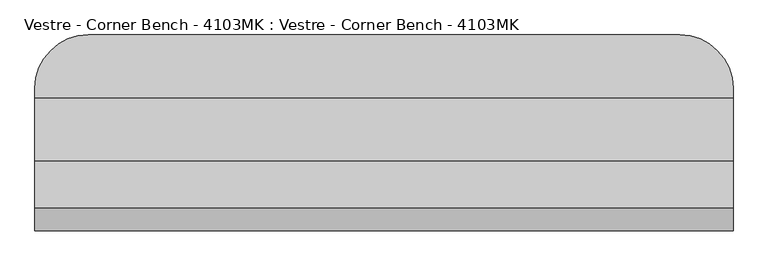
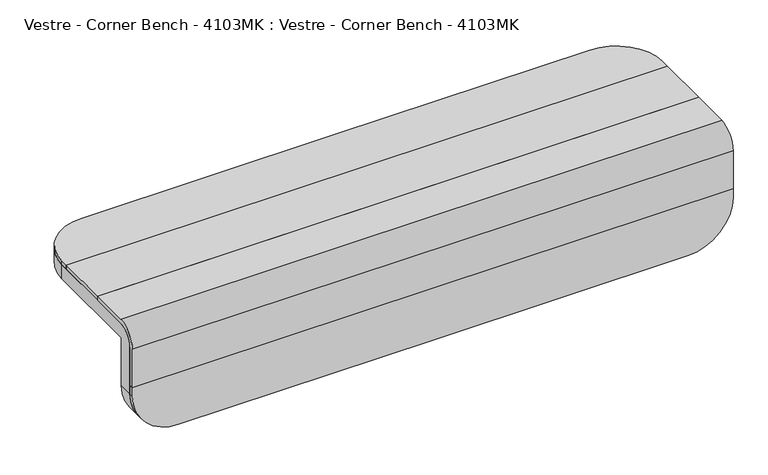
"""IFC4 building model written with IfcOpenShell, lengths in millimetres: furniture geometry, Vestre - Corner Bench - 4103MK : Vestre - Corner Bench - 4103MK."""

from ifc_helpers import new_model, si_unit, point, frame, frame_2d, origin, place, context, project, spatial, polyline, circle_curve, trimmed, segment, composite_curve, outline, extrude, source, transform, mapped, element, save
from ifc_brep_helpers import plane_surface, cylinder_surface, revolved_surface, advanced_brep


def vestre_corner_bench_4103mk_vestre_corner_bench_4103mk_26f7be3b(model_context):
    return source(origin(), model_context, "Body", "SolidModel", [
        extrude(outline(composite_curve([segment(polyline([(-104.1442892, 753.2674933), (-104.1442892, -753.2674933), (-126.5360088, -753.2674933)]), True, "CONTINUOUS"), segment(trimmed(circle_curve(frame_2d((-126.5360088, -638.2674933)), 115.0), [point((-126.5360088, -753.2674933))], [point((-241.5360088, -638.2674933))], False, "CARTESIAN"), True, "CONTINUOUS"), segment(polyline([(-241.5360088, -638.2674933), (-241.5360088, 0.0), (-241.5360088, 638.2674933)]), True, "CONTINUOUS"), segment(trimmed(circle_curve(frame_2d((-126.5360088, 638.2674933)), 115.0), [point((-241.5360088, 638.2674933))], [point((-126.5360088, 753.2674933))], False, "CARTESIAN"), True, "CONTINUOUS"), segment(polyline([(-126.5360088, 753.2674933), (-104.1442892, 753.2674933)]), True, "CONTINUOUS")], self_intersect=False)), frame((0.0, -218.13734, 0.0), z_axis=(0.0, 1.0, 0.0), x_axis=(0.0, 0.0, 1.0)), (0.0, 0.0, 1.0), 10.7171134),
        advanced_brep(
        [(753.2674933, -68.13734, 47.4305797), (-753.2674933, -68.13734, 47.4305797), (-753.2674933, -137.4202266, 47.4305797), (-753.2674933, -168.13734, 47.4305797), (753.2674933, -168.13734, 47.4305797), (753.2674933, -137.4202266, 47.4305797), (753.2674933, -218.13734, -104.1442892), (-753.2674933, -218.13734, -104.1442892), (-753.2674933, -207.4202266, -104.1442892), (753.2674933, -207.4202266, -104.1442892), (753.2674933, -218.13734, -33.453451), (753.2674933, -218.13734, -4.4183249), (753.2674933, -218.13734, -2.5694203), (-753.2674933, -218.13734, -2.5694203), (-753.2674933, -218.13734, -4.4183249), (-753.2674933, -218.13734, -33.453451), (753.2674933, -207.4202266, -3.453451), (753.2674933, -167.4202266, 36.546549), (753.2674933, -68.13734, 36.546549), (-753.2674933, -68.13734, 36.546549), (-753.2674933, -167.4202266, 36.546549), (-753.2674933, -207.4202266, -3.453451)],
        [
            (0, 1),
            (1, 2),
            (2, 3),
            (3, 4),
            (4, 5),
            (5, 0),
            (6, 7),
            (7, 8),
            (8, 9),
            (9, 6),
            (6, 10),
            (10, 11),
            (11, 12),
            (12, 13),
            (13, 14),
            (14, 15),
            (15, 7),
            (4, 12, circle_curve(frame((753.2674933, -168.13734, -2.5694203), z_axis=(1.0, 0.0, 0.0), x_axis=(0.0, -1.0, 0.0)), 50.0)),
            (9, 16),
            (16, 17, circle_curve(frame((753.2674933, -167.4202266, -3.453451), z_axis=(-1.0, 0.0, 0.0), x_axis=(0.0, -1.0, 0.0)), 40.0)),
            (17, 18),
            (18, 0),
            (18, 19),
            (19, 1),
            (19, 20),
            (20, 21, circle_curve(frame((-753.2674933, -167.4202266, -3.453451), z_axis=(1.0, 0.0, 0.0), x_axis=(0.0, -1.0, 0.0)), 40.0)),
            (21, 8),
            (13, 3, circle_curve(frame((-753.2674933, -168.13734, -2.5694203), z_axis=(-1.0, 0.0, 0.0), x_axis=(0.0, -1.0, 0.0)), 50.0)),
            (20, 17),
            (16, 21),
        ],
        [
            plane_surface(frame((-753.2674933, -218.13734, 47.4305797), z_axis=(0.0, 0.0, 1.0), x_axis=(1.0, 0.0, 0.0))),
            plane_surface(frame((-753.2674933, -218.13734, -104.1442892), z_axis=(0.0, 0.0, -1.0), x_axis=(-1.0, 0.0, 0.0))),
            plane_surface(frame((-753.2674933, -218.13734, 47.4305797), z_axis=(0.0, -1.0, 0.0), x_axis=(0.0, 0.0, -1.0))),
            plane_surface(frame((753.2674933, -218.13734, 47.4305797), z_axis=(1.0, 0.0, 0.0), x_axis=(0.0, 0.0, -1.0))),
            plane_surface(frame((753.2674933, -68.13734, 47.4305797), z_axis=(0.0, 1.0, 0.0), x_axis=(0.0, 0.0, -1.0))),
            plane_surface(frame((-753.2674933, -68.13734, 47.4305797), z_axis=(-1.0, 0.0, 0.0), x_axis=(0.0, 0.0, -1.0))),
            cylinder_surface(frame((-912.0536265, -168.13734, -2.5694203), z_axis=(-1.0, 0.0, 0.0), x_axis=(0.0, -1.0, 0.0)), 50.0),
            revolved_surface(polyline([(753.2674933000001, -207.4202266, -3.453451), (-753.2674933, -207.4202266, -3.453451)]), (-830.5740598, -167.4202266, -3.453451), (1.0, 0.0, 0.0)),
            plane_surface(frame((879.6049625, -207.4202266, -3.453451), z_axis=(0.0, 1.0, 0.0), x_axis=(-1.0, 0.0, 0.0))),
            plane_surface(frame((879.6049625, -52.4202266, 36.546549), z_axis=(0.0, 0.0, -1.0), x_axis=(-1.0, 0.0, 0.0))),
        ],
        [
            (0, [[1, 2, 3, 4, 5, 6]]),
            (1, [[7, 8, 9, 10]]),
            (2, [[-7, 11, 12, 13, 14, 15, 16, 17]]),
            (3, [[-6, -5, 18, -13, -12, -11, -10, 19, 20, 21, 22]]),
            (4, [[-1, -22, 23, 24]]),
            (5, [[-2, -24, 25, 26, 27, -8, -17, -16, -15, 28, -3]]),
            (6, [[-4, -28, -14, -18]]),
            (7, [[29, -20, 30, -26]]),
            (8, [[-30, -19, -9, -27]]),
            (9, [[-29, -25, -23, -21]]),
        ],
    ),
        advanced_brep(
        [(-638.2674933, 204.903529, 36.546549), (-753.2674933, 89.903529, 36.546549), (-753.2674933, -85.6157577, 36.546549), (-753.2674933, -167.4202266, 36.546549), (-703.2674933, -167.4202266, 36.546549), (-703.2674933, -85.6157577, 36.546549), (-703.2674933, 89.903529, 36.546549), (-638.2674933, 154.903529, 36.546549), (0.0, 154.903529, 36.546549), (638.2674933, 154.903529, 36.546549), (703.2674933, 89.903529, 36.546549), (703.2674933, -85.6157577, 36.546549), (703.2674933, -167.4202266, 36.546549), (753.2674933, -167.4202266, 36.546549), (753.2674933, -85.6157577, 36.546549), (753.2674933, 89.903529, 36.546549), (638.2674933, 204.903529, 36.546549), (0.0, 204.903529, 36.546549), (-638.2674933, 204.903529, 0.0), (-732.6369891, 155.6256582, 0.0), (-753.2674933, 89.903529, 0.0), (-753.2674933, -165.6643982, 0.0), (-753.2674933, -170.6643982, -5.0), (-753.2674933, -170.6643982, -126.5360088), (-753.2674933, -207.4202266, -126.5360088), (-753.2674933, -207.4202266, -54.4183249), (-753.2674933, -207.4202266, -4.4183249), (-753.2674933, -207.4202266, -3.453451), (-638.2674933, -207.4202266, -241.5360088), (0.0, -207.4202266, -241.5360088), (638.2674933, -207.4202266, -241.5360088), (753.2674933, -207.4202266, -126.5360088), (753.2674933, -207.4202266, -54.4183249), (753.2674933, -207.4202266, -4.4183249), (753.2674933, -207.4202266, -3.453451), (703.2674933, -207.4202266, -3.453451), (703.2674933, -207.4202266, -54.4183249), (703.2674933, -207.4202266, -126.5360088), (638.2674933, -207.4202266, -191.5360088), (0.0, -207.4202266, -191.5360088), (-638.2674933, -207.4202266, -191.5360088), (-703.2674933, -207.4202266, -126.5360088), (-703.2674933, -207.4202266, -54.4183249), (-703.2674933, -207.4202266, -3.453451), (753.2674933, -170.6643982, -126.5360088), (753.2674933, -170.6643982, -5.0), (753.2674933, -165.6643982, 0.0), (753.2674933, 89.903529, 0.0), (732.6369891, 155.6256582, 0.0), (638.2674933, 204.903529, 0.0), (0.0, 204.903529, 0.0), (-638.2674933, -170.6643982, -241.5360088), (638.2674933, -170.6643982, -241.5360088), (0.0, -170.6643982, -241.5360088), (703.2674933, 89.903529, 0.0), (703.2674933, -165.6643982, 0.0), (703.2674933, -170.6643982, -5.0), (703.2674933, -170.6643982, -126.5360088), (638.2674933, 154.903529, 0.0), (0.0, 154.903529, 0.0), (-638.2674933, 154.903529, 0.0), (-703.2674933, 89.903529, 0.0), (-703.2674933, -170.6643982, -126.5360088), (-703.2674933, -170.6643982, -5.0), (-703.2674933, -165.6643982, 0.0), (-638.2674933, -170.6643982, -191.5360088), (0.0, -170.6643982, -191.5360088), (638.2674933, -170.6643982, -191.5360088)],
        [
            (0, 1, circle_curve(frame((-638.2674933, 89.903529, 36.546549), z_axis=(0.0, 0.0, 1.0), x_axis=(1.0, 0.0, 0.0)), 115.0)),
            (1, 2),
            (2, 3),
            (3, 4),
            (4, 5),
            (5, 6),
            (6, 7, circle_curve(frame((-638.2674933, 89.903529, 36.546549), z_axis=(0.0, 0.0, -1.0), x_axis=(1.0, 0.0, 0.0)), 65.0)),
            (7, 8),
            (8, 9),
            (9, 10, circle_curve(frame((638.2674933, 89.903529, 36.546549), z_axis=(0.0, 0.0, -1.0), x_axis=(-1.0, 0.0, 0.0)), 65.0)),
            (10, 11),
            (11, 12),
            (12, 13),
            (13, 14),
            (14, 15),
            (15, 16, circle_curve(frame((638.2674933, 89.903529, 36.546549), z_axis=(0.0, 0.0, 1.0), x_axis=(-1.0, 0.0, 0.0)), 115.0)),
            (16, 17),
            (17, 0),
            (0, 18),
            (18, 19, circle_curve(frame((-638.2674933, 89.903529, 0.0), z_axis=(0.0, 0.0, 1.0), x_axis=(1.0, 0.0, 0.0)), 115.0)),
            (19, 20, circle_curve(frame((-638.2674933, 89.903529, 0.0), z_axis=(0.0, 0.0, 1.0), x_axis=(1.0, 0.0, 0.0)), 115.0)),
            (20, 1),
            (20, 21),
            (21, 22, circle_curve(frame((-753.2674933, -165.6643982, -5.0), z_axis=(1.0, 0.0, 0.0), x_axis=(0.0, -1.0, 0.0)), 5.0)),
            (22, 23),
            (23, 24),
            (24, 25),
            (25, 26),
            (26, 27),
            (27, 3, circle_curve(frame((-753.2674933, -167.4202266, -3.453451), z_axis=(-1.0, 0.0, 0.0), x_axis=(0.0, -1.0, 0.0)), 40.0)),
            (24, 28, circle_curve(frame((-638.2674933, -207.4202266, -126.5360088), z_axis=(0.0, -1.0, 0.0), x_axis=(1.0, 0.0, 0.0)), 115.0)),
            (28, 29),
            (29, 30),
            (30, 31, circle_curve(frame((638.2674933, -207.4202266, -126.5360088), z_axis=(0.0, -1.0, 0.0), x_axis=(-1.0, 0.0, 0.0)), 115.0)),
            (31, 32),
            (32, 33),
            (33, 34),
            (34, 35),
            (35, 36),
            (36, 37),
            (37, 38, circle_curve(frame((638.2674933, -207.4202266, -126.5360088), z_axis=(0.0, 1.0, 0.0), x_axis=(-1.0, 0.0, 0.0)), 65.0)),
            (38, 39),
            (39, 40),
            (40, 41, circle_curve(frame((-638.2674933, -207.4202266, -126.5360088), z_axis=(0.0, 1.0, 0.0), x_axis=(1.0, 0.0, 0.0)), 65.0)),
            (41, 42),
            (42, 43),
            (43, 27),
            (31, 44),
            (44, 45),
            (45, 46, circle_curve(frame((753.2674933, -165.6643982, -5.0), z_axis=(-1.0, 0.0, 0.0), x_axis=(0.0, -1.0, 0.0)), 5.0)),
            (46, 47),
            (47, 15),
            (13, 34, circle_curve(frame((753.2674933, -167.4202266, -3.453451), z_axis=(1.0, 0.0, 0.0), x_axis=(0.0, -1.0, 0.0)), 40.0)),
            (47, 48, circle_curve(frame((638.2674933, 89.903529, 0.0), z_axis=(0.0, 0.0, 1.0), x_axis=(-1.0, 0.0, 0.0)), 115.0)),
            (48, 49, circle_curve(frame((638.2674933, 89.903529, 0.0), z_axis=(0.0, 0.0, 1.0), x_axis=(-1.0, 0.0, 0.0)), 115.0)),
            (49, 16),
            (49, 50),
            (50, 17),
            (50, 18),
            (23, 51, circle_curve(frame((-638.2674933, -170.6643982, -126.5360088), z_axis=(0.0, -1.0, 0.0), x_axis=(1.0, 0.0, 0.0)), 115.0)),
            (51, 28),
            (30, 52),
            (52, 44, circle_curve(frame((638.2674933, -170.6643982, -126.5360088), z_axis=(0.0, -1.0, 0.0), x_axis=(-1.0, 0.0, 0.0)), 115.0)),
            (29, 53),
            (53, 52),
            (51, 53),
            (10, 54),
            (54, 55),
            (55, 56, circle_curve(frame((703.2674933, -165.6643982, -5.0), z_axis=(1.0, 0.0, 0.0), x_axis=(0.0, -1.0, 0.0)), 5.0)),
            (56, 57),
            (57, 37),
            (35, 12, circle_curve(frame((703.2674933, -167.4202266, -3.453451), z_axis=(-1.0, 0.0, 0.0), x_axis=(0.0, -1.0, 0.0)), 40.0)),
            (9, 58),
            (58, 54, circle_curve(frame((638.2674933, 89.903529, 0.0), z_axis=(0.0, 0.0, -1.0), x_axis=(-1.0, 0.0, 0.0)), 65.0)),
            (8, 59),
            (59, 58),
            (7, 60),
            (60, 59),
            (6, 61),
            (61, 60, circle_curve(frame((-638.2674933, 89.903529, 0.0), z_axis=(0.0, 0.0, -1.0), x_axis=(1.0, 0.0, 0.0)), 65.0)),
            (4, 43, circle_curve(frame((-703.2674933, -167.4202266, -3.453451), z_axis=(1.0, 0.0, 0.0), x_axis=(0.0, -1.0, 0.0)), 40.0)),
            (41, 62),
            (62, 63),
            (63, 64, circle_curve(frame((-703.2674933, -165.6643982, -5.0), z_axis=(-1.0, 0.0, 0.0), x_axis=(0.0, -1.0, 0.0)), 5.0)),
            (64, 61),
            (19, 48),
            (46, 55),
            (64, 21),
            (45, 56),
            (63, 22),
            (62, 65, circle_curve(frame((-638.2674933, -170.6643982, -126.5360088), z_axis=(0.0, -1.0, 0.0), x_axis=(1.0, 0.0, 0.0)), 65.0)),
            (65, 66),
            (66, 67),
            (67, 57, circle_curve(frame((638.2674933, -170.6643982, -126.5360088), z_axis=(0.0, -1.0, 0.0), x_axis=(-1.0, 0.0, 0.0)), 65.0)),
            (40, 65),
            (39, 66),
            (38, 67),
        ],
        [
            plane_surface(frame((-523.2674933, 89.903529, 36.546549), z_axis=(0.0, 0.0, 1.0), x_axis=(0.0, 1.0, 0.0))),
            cylinder_surface(frame((-638.2674933, 89.903529, -402.5928485), z_axis=(0.0, 0.0, 1.0), x_axis=(1.0, 0.0, 0.0)), 115.0),
            plane_surface(frame((-753.2674933, 89.903529, 36.546549), z_axis=(-1.0, 0.0, 0.0), x_axis=(0.0, 0.0, -1.0))),
            plane_surface(frame((-753.2674933, -207.4202266, 36.546549), z_axis=(0.0, -1.0, 0.0), x_axis=(0.0, 0.0, -1.0))),
            plane_surface(frame((753.2674933, -207.4202266, 36.546549), z_axis=(1.0, 0.0, 0.0), x_axis=(0.0, 0.0, -1.0))),
            cylinder_surface(frame((638.2674933, 89.903529, -402.5928485), z_axis=(0.0, 0.0, 1.0), x_axis=(-1.0, 0.0, 0.0)), 115.0),
            plane_surface(frame((638.2674933, 204.903529, 36.546549), z_axis=(0.0, 1.0, 0.0), x_axis=(0.0, 0.0, -1.0))),
            plane_surface(frame((0.0, 204.903529, 36.546549), z_axis=(0.0, 1.0, 0.0), x_axis=(0.0, 0.0, -1.0))),
            cylinder_surface(frame((-638.2674933, 228.2301834, -126.5360088), z_axis=(0.0, 1.0, 0.0), x_axis=(1.0, 0.0, 0.0)), 115.0),
            cylinder_surface(frame((638.2674933, 228.2301834, -126.5360088), z_axis=(0.0, 1.0, 0.0), x_axis=(-1.0, 0.0, 0.0)), 115.0),
            plane_surface(frame((638.2674933, -293.3905689, -241.5360088), z_axis=(0.0, 0.0, -1.0), x_axis=(0.0, 1.0, 0.0))),
            plane_surface(frame((0.0, -293.3905689, -241.5360088), z_axis=(0.0, 0.0, -1.0), x_axis=(0.0, 1.0, 0.0))),
            plane_surface(frame((703.2674933, -207.4202266, 100.8601896), z_axis=(-1.0, 0.0, 0.0), x_axis=(0.0, 0.0, -1.0))),
            revolved_surface(polyline([(573.2674933, 89.903529, 36.546549), (573.2674933, 89.903529, 0.0)]), (638.2674933, 89.903529, -79.4467592), (0.0, 0.0, 1.0)),
            plane_surface(frame((638.2674933, 154.903529, 100.8601896), z_axis=(0.0, -1.0, 0.0), x_axis=(0.0, 0.0, -1.0))),
            plane_surface(frame((0.0, 154.903529, 100.8601896), z_axis=(0.0, -1.0, 0.0), x_axis=(0.0, 0.0, -1.0))),
            revolved_surface(polyline([(-573.2674933, 89.903529, 36.546549), (-573.2674933, 89.903529, 0.0)]), (-638.2674933, 89.903529, -79.4467592), (0.0, 0.0, 1.0)),
            plane_surface(frame((-703.2674933, 89.903529, 100.8601896), z_axis=(1.0, 0.0, 0.0), x_axis=(0.0, 0.0, -1.0))),
            plane_surface(frame((1055.9537167, 155.6256582, 0.0), z_axis=(0.0, 0.0, -1.0), x_axis=(-1.0, 0.0, 0.0))),
            revolved_surface(polyline([(753.2674933000001, -170.6643982, -5.0), (703.2674933000001, -170.6643982, -5.0)]), (-1119.2884378, -165.6643982, -5.0), (1.0, 0.0, 0.0)),
            revolved_surface(polyline([(-703.2674933, -170.6643982, -5.0), (-753.2674933, -170.6643982, -5.0)]), (-1119.2884378, -165.6643982, -5.0), (1.0, 0.0, 0.0)),
            plane_surface(frame((1055.9537167, -170.6643982, -5.0), z_axis=(0.0, 1.0, 0.0), x_axis=(-1.0, 0.0, 0.0))),
            plane_surface(frame((1055.9537167, 206.0820354, 0.0), z_axis=(0.0, 0.0, -1.0), x_axis=(-1.0, 0.0, 0.0))),
            revolved_surface(polyline([(-573.2674933, -207.4202266, -126.5360088), (-573.2674933, -170.6643982, -126.5360088)]), (-638.2674933, -122.6781531, -126.5360088), (0.0, -1.0, 0.0)),
            plane_surface(frame((-638.2674933, -244.1767202, -191.5360088), z_axis=(0.0, 0.0, 1.0), x_axis=(0.0, 1.0, 0.0))),
            plane_surface(frame((0.0, -244.1767202, -191.5360088), z_axis=(0.0, 0.0, 1.0), x_axis=(0.0, 1.0, 0.0))),
            revolved_surface(polyline([(573.2674933, -207.4202266, -126.5360088), (573.2674933, -170.6643982, -126.5360088)]), (638.2674933, -122.6781531, -126.5360088), (0.0, -1.0, 0.0)),
            cylinder_surface(frame((-829.4978319, -167.4202266, -3.453451), z_axis=(-1.0, 0.0, 0.0), x_axis=(0.0, -1.0, 0.0)), 40.0),
        ],
        [
            (0, [[1, 2, 3, 4, 5, 6, 7, 8, 9, 10, 11, 12, 13, 14, 15, 16, 17, 18]]),
            (1, [[-1, 19, 20, 21, 22]]),
            (2, [[-22, 23, 24, 25, 26, 27, 28, 29, 30, -3, -2]]),
            (3, [[31, 32, 33, 34, 35, 36, 37, 38, 39, 40, 41, 42, 43, 44, 45, 46, 47, -29, -28, -27]]),
            (4, [[48, 49, 50, 51, 52, -15, -14, 53, -37, -36, -35]]),
            (5, [[-16, -52, 54, 55, 56]]),
            (6, [[-17, -56, 57, 58]]),
            (7, [[-18, -58, 59, -19]]),
            (8, [[-31, -26, 60, 61]]),
            (9, [[-34, 62, 63, -48]]),
            (10, [[-33, 64, 65, -62]]),
            (11, [[-32, -61, 66, -64]]),
            (12, [[67, 68, 69, 70, 71, -40, -39, 72, -12, -11]]),
            (13, [[-10, 73, 74, -67]]),
            (14, [[-9, 75, 76, -73]]),
            (15, [[-8, 77, 78, -75]]),
            (16, [[-7, 79, 80, -77]]),
            (17, [[-79, -6, -5, 81, -46, -45, 82, 83, 84, 85]]),
            (18, [[86, -54, -51, 87, -68, -74, -76, -78, -80, -85, 88, -23, -21]]),
            (19, [[-87, -50, 89, -69]]),
            (20, [[-88, -84, 90, -24]]),
            (21, [[-89, -49, -63, -65, -66, -60, -25, -90, -83, 91, 92, 93, 94, -70]]),
            (22, [[-86, -20, -59, -57, -55]]),
            (23, [[-82, -44, 95, -91]]),
            (24, [[-95, -43, 96, -92]]),
            (25, [[-96, -42, 97, -93]]),
            (26, [[-97, -41, -71, -94]]),
            (27, [[-4, -30, -47, -81]]),
            (27, [[-13, -72, -38, -53]]),
        ],
    ),
        extrude(outline(polyline([(-753.2674933, -68.13734), (-753.2674933, 68.13734), (753.2674933, 68.13734), (753.2674933, -68.13734), (-753.2674933, -68.13734)])), frame((0.0, 0.0, 36.546549), z_axis=(0.0, 0.0, 1.0), x_axis=(1.0, 0.0, 0.0)), (0.0, 0.0, 1.0), 10.8840307),
        extrude(outline(composite_curve([segment(polyline([(753.2674933, 68.13734), (-753.2674933, 68.13734), (-753.2674933, 89.903529)]), True, "CONTINUOUS"), segment(trimmed(circle_curve(frame_2d((-638.2674933, 89.903529)), 115.0), [point((-753.2674933, 89.903529))], [point((-638.2674933, 204.903529))], False, "CARTESIAN"), True, "CONTINUOUS"), segment(polyline([(-638.2674933, 204.903529), (0.0, 204.903529), (638.2674933, 204.903529)]), True, "CONTINUOUS"), segment(trimmed(circle_curve(frame_2d((638.2674933, 89.903529)), 115.0), [point((638.2674933, 204.903529))], [point((753.2674933, 89.903529))], False, "CARTESIAN"), True, "CONTINUOUS"), segment(polyline([(753.2674933, 89.903529), (753.2674933, 68.13734)]), True, "CONTINUOUS")], self_intersect=False)), frame((0.0, 0.0, 36.546549), z_axis=(0.0, 0.0, 1.0), x_axis=(1.0, 0.0, 0.0)), (0.0, 0.0, 1.0), 10.8840307),
    ])


if __name__ == "__main__":
    model = new_model("IFC4")
    model_context = context("Model", 3, world=origin())
    ifc_project = project(units=[si_unit("LENGTHUNIT", "METRE", prefix="MILLI")], contexts=[model_context])
    site = spatial("IfcSite", under=ifc_project)
    building = spatial("IfcBuilding", under=site)
    placement = place(None, origin())
    vestre_corner_bench_4103mk_vestre_corner_bench_4103mk_shape = vestre_corner_bench_4103mk_vestre_corner_bench_4103mk_26f7be3b(model_context)
    element("IfcFurniture", 1, ObjectType="Vestre - Corner Bench - 4103MK : Vestre - Corner Bench - 4103MK", at=placement, inside=building, context=model_context, shape_type="MappedRepresentation", body=[
        mapped(vestre_corner_bench_4103mk_vestre_corner_bench_4103mk_shape, transform((0.0, 0.0, 0.0), x_axis=(1.0, 0.0, 0.0), y_axis=(0.0, 1.0, 0.0), z_axis=(0.0, 0.0, 1.0))),
    ])
    save(model, "model.ifc")
